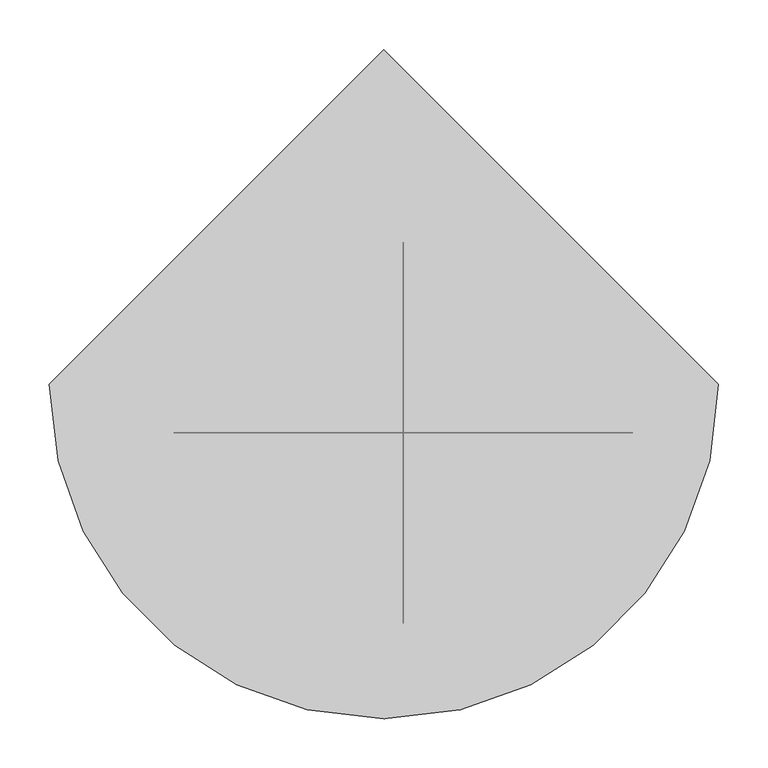
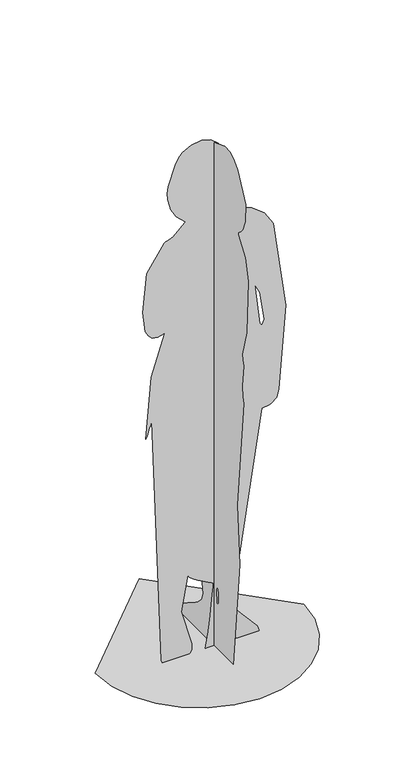
"""IFC4 building model written with IfcOpenShell, lengths in millimetres: proxy geometry."""

from ifc_helpers import new_model, si_unit, origin, place, context, project, spatial, triangles, source, transform, mapped, element, save


def entourage_2a7e0e44(model_context):
    return source(origin(), model_context, "Body", "Tessellation", [
        triangles([(19.5612288, -62.516115, 200.054177), (19.5612288, -65.6147495, 206.6420561), (19.5612288, -67.0928433, 208.6188795), (19.5612265, -68.5512254, 210.1580661), (19.5612265, -69.844524, 211.0626257), (19.5612265, -70.8273447, 211.135768), (19.5612265, -72.3676622, 205.9018034), (19.5612265, -74.2961918, 196.3806185), (19.5612265, -75.9136394, 184.6084991), (19.5612265, -76.5207017, 172.6210404), (19.5612265, -75.4180619, 162.4544372), (19.5612265, -71.9064394, 156.1446297), (19.5612288, -65.2864992, 155.7276494), (19.561222, -157.7734002, 0.0), (19.5612197, -193.0714818, 365.6725562), (19.5612197, -178.8732388, 562.9772644), (19.5612197, -217.6589527, 934.2117268), (19.5612197, -211.3346658, 953.6969473), (19.5612197, -209.2266004, 990.3578636), (19.5612197, -217.6589527, 1061.6503143), (19.5612197, -210.505792, 1080.5146425), (19.5612197, -208.859072, 1098.4551172), (19.5612174, -232.5499224, 1186.4916767), (19.5612174, -242.5926415, 1369.1652649), (19.5612197, -225.9702005, 1441.195752), (19.5612197, -184.4141614, 1493.8335274), (19.5612197, -184.4141614, 1502.144648), (19.5612197, -199.7089946, 1513.6221451), (19.5612197, -211.0344297, 1528.1208241), (19.5612197, -224.1337755, 1563.6801361), (19.5612197, -228.7406891, 1624.0425854), (19.5612197, -183.90509, 1715.3903526), (19.561222, -164.1470301, 1737.5990261), (19.561222, -139.3701631, 1750.94981), (19.5612242, -108.0070247, 1752.6), (19.5612288, -48.1992019, 1729.3935677), (19.5612288, -20.4396227, 1708.5970173), (19.5612288, -13.3298936, 1699.5173389), (19.5612288, -7.8875699, 1689.0607098), (19.5612288, -0.7000028, 1662.8370197), (19.5612288, -20.3543195, 1513.0532845), (19.5612288, -18.6669849, 1499.3218552), (19.5612288, 11.1308794, 1439.5698338), (19.5612311, 14.5355749, 1426.8243908), (19.5612288, 1.7224977, 1354.8805264), (19.5612311, 31.6774996, 1150.3032606), (19.5612333, 48.2999633, 1147.5328629), (19.5612333, 62.8445879, 962.6950172), (19.5612356, 95.3969115, 840.0179123), (19.5612356, 94.2716259, 840.4783493), (19.5612356, 92.0029507, 841.6656315), (19.5612356, 89.0270695, 843.2890789), (19.5612356, 85.780102, 845.057939), (19.5612356, 82.698268, 846.6813864), (19.5612356, 80.2176599, 847.8687412), (19.5612356, 78.7744431, 848.3291056), (19.5612379, 129.4411089, 519.2575856), (19.5612356, 115.741936, 386.017608), (19.5612356, 111.0111655, 373.0374773), (19.5612333, 46.365393, 289.3376807), (19.5612311, 27.5485274, 242.7219941), (19.5612288, 11.1591606, 141.8756606), (19.5612311, 19.6101607, 117.1299145), (19.5612311, 40.4985227, 95.464113), (19.5612333, 68.4630586, 75.9257889), (19.5612356, 98.1425106, 57.5627155), (19.5612379, 124.1758143, 39.4220441), (19.5612379, 141.2016192, 20.5520522), (19.5612379, 143.8588244, 0.0), (183.0152098, -49.3669449, 1064.4207121), (167.6047769, -49.3669449, 1163.5493271), (152.5406528, -49.3669449, 1194.6297701), (168.2882199, -49.3669449, 1056.0085802), (175.1435972, -49.3669449, 1046.9906713), (-8.6639288, -49.3669495, 0.0), (-3.1500451, -49.3669495, 32.2482746), (2.0823084, -49.3669495, 69.3733591), (6.8265455, -49.3669495, 108.190362), (10.8761212, -49.3669495, 145.5140468), (14.0244233, -49.3669495, 178.1596922), (16.064901, -49.3669495, 202.9421185), (16.790965, -49.3669495, 216.6765999), (12.1870877, -49.3669495, 219.1461257), (0.3139176, -49.3669495, 225.0791757), (-15.9208339, -49.3669495, 233.4869473), (-33.6094311, -49.3669495, 243.3801843), (-49.8441732, -49.3669495, 253.770157), (-61.7173402, -49.3669495, 263.6679903), (-66.3212244, -49.3669495, 272.0846822), (-87.4455254, -49.3669495, 152.9572698), (-53.4087358, -49.3669495, 31.0045278), (-52.5813699, -49.3669495, 11.0292914), (-59.149233, -49.3669495, 0.0), (-149.3170486, -49.3669495, 0.0), (-152.8115664, -49.3669495, 10.4443548), (-182.6783299, -49.3669495, 842.7883101), (-184.325068, -49.3669495, 839.6736019), (-187.3181266, -49.3669495, 831.6521439), (-191.0743654, -49.3669495, 820.7077538), (-195.0109165, -49.3669495, 808.8246128), (-198.5445671, -49.3669495, 797.9861755), (-201.0923222, -49.3669495, 790.1768412), (-202.0711687, -49.3669495, 787.3802095), (-185.4487277, -49.3669495, 995.1605501), (-141.1222818, -49.3669495, 1130.9104036), (-164.3032524, -49.3669495, 1124.3246864), (-182.0564565, -49.3669495, 1128.1551939), (-195.0603866, -49.3669495, 1140.1605658), (-203.9935441, -49.3669495, 1158.0995871), (-213.1528324, -49.3669495, 1225.1042908), (-199.3008073, -49.3669495, 1355.3133488), (-142.1370091, -49.3669495, 1439.8141502), (-138.3519385, -49.3669495, 1443.9662224), (-126.4535278, -49.3669495, 1446.4888882), (-114.043257, -49.3669495, 1453.0155247), (-76.6084144, -49.3669495, 1487.9363583), (-74.632563, -49.3669495, 1491.0630569), (-103.0904008, -49.3669495, 1516.7510239), (-122.0980524, -49.3669495, 1548.9569069), (-131.6192644, -49.3669495, 1586.7359962), (-132.8111248, -49.3669495, 1607.4201988), (-130.0407362, -49.3669495, 1629.5832355), (-105.4423103, -49.3669495, 1701.5050083), (-96.1691935, -49.3669495, 1717.9445572), (-84.0080717, -49.3669495, 1731.1446236), (-55.2397923, -49.3669495, 1745.9405228), (-21.1277098, -49.3669495, 1752.5937504), (8.678871, -49.3669495, 1743.6800503), (33.6907601, -49.3669495, 1722.8627163), (53.4188279, -49.3669495, 1693.8054783), (75.0667116, -49.3669495, 1625.6246109), (76.0082012, -49.3669495, 1593.8278599), (45.7087471, -49.3669495, 1512.9888988), (45.9664484, -49.3669495, 1502.7510063), (52.5419328, -49.3669495, 1494.1808899), (141.4590436, -49.3669449, 1463.3590794), (183.2079669, -49.3669449, 1431.0789276), (212.1099455, -49.3669449, 1385.7065517), (252.2752991, -49.3669449, 1089.3543646), (230.371894, -49.3669449, 807.1516771), (222.5798733, -49.3669449, 783.138172), (217.6563003, -49.3669449, 776.9216183), (211.9300146, -49.3669449, 771.9938667), (205.4994478, -49.3669449, 768.2337765), (198.4631949, -49.3669449, 765.520134), (174.7039802, -49.3669449, 762.4466297), (101.5479077, -49.3669495, 280.655816), (74.363298, -49.3669495, 138.9321538), (78.7407061, -49.3669495, 117.6130336), (91.1993842, -49.3669495, 97.162465), (159.9730479, -49.3669449, 19.5097603), (166.4327009, -49.3669449, 0.0), (-339.0976521, 0.0001336, 0.0), (-330.1329741, -77.6986367, 0.0), (-304.601829, -149.0525117, 0.0), (-264.5484235, -212.0171641, 0.0), (-212.0172913, -264.548369, 0.0), (-149.0525935, -304.6016654, 0.0), (-77.6987276, -330.1329014, 0.0), (1.42e-05, -339.0975431, 0.000112), (77.6987639, -330.1329014, 0.000112), (149.052648, -304.6016654, 0.000112), (212.0172913, -264.5483145, 0.000112), (264.5485143, -212.0171641, 0.0), (304.6018108, -149.0524572, 0.0), (330.1329741, -77.6985731, 0.0), (339.0976521, 0.000162, 0.0), (-4.4e-05, 339.0977975, 0.0)], [[14, 6, 7], [14, 7, 8], [14, 8, 9], [14, 9, 10], [14, 10, 11], [48, 49, 50], [48, 50, 51], [48, 51, 52], [48, 52, 53], [48, 53, 54], [48, 54, 55], [14, 11, 12], [69, 14, 12], [69, 12, 13], [68, 69, 13], [67, 68, 13], [66, 67, 13], [65, 66, 13], [64, 65, 13], [63, 64, 13], [62, 63, 13], [48, 55, 56], [62, 13, 1], [61, 62, 1], [46, 47, 48], [61, 1, 2], [61, 2, 3], [61, 3, 4], [61, 4, 5], [6, 14, 15], [5, 6, 15], [61, 5, 15], [60, 61, 15], [60, 15, 16], [59, 60, 16], [58, 59, 16], [57, 58, 16], [56, 57, 16], [48, 56, 16], [48, 16, 17], [48, 17, 18], [46, 48, 18], [46, 18, 19], [46, 19, 20], [46, 20, 21], [46, 21, 22], [46, 22, 23], [46, 23, 24], [45, 46, 24], [45, 24, 25], [45, 25, 26], [44, 45, 26], [43, 44, 26], [42, 43, 26], [41, 42, 26], [41, 26, 27], [41, 27, 28], [41, 28, 29], [41, 29, 30], [41, 30, 31], [40, 41, 31], [40, 31, 32], [39, 40, 32], [38, 39, 32], [37, 38, 32], [36, 37, 32], [35, 36, 32], [35, 32, 33], [34, 35, 33], [70, 75, 76], [70, 76, 77], [70, 77, 78], [70, 78, 79], [70, 79, 80], [70, 80, 81], [70, 81, 82], [74, 70, 82], [102, 103, 104], [101, 102, 104], [100, 101, 104], [99, 100, 104], [98, 99, 104], [97, 98, 104], [96, 97, 104], [151, 152, 75], [74, 82, 83], [74, 83, 84], [74, 84, 85], [74, 85, 86], [74, 86, 87], [74, 87, 88], [74, 88, 89], [150, 151, 75], [149, 150, 75], [93, 94, 95], [92, 93, 95], [91, 92, 95], [90, 91, 95], [90, 95, 96], [89, 90, 96], [74, 89, 96], [74, 96, 104], [73, 74, 104], [73, 104, 105], [72, 73, 105], [148, 149, 75], [148, 75, 70], [147, 148, 70], [146, 147, 70], [145, 146, 70], [144, 145, 70], [143, 144, 70], [142, 143, 70], [141, 142, 70], [140, 141, 70], [139, 140, 70], [139, 70, 71], [139, 71, 72], [138, 139, 72], [138, 72, 105], [137, 138, 105], [136, 137, 105], [135, 136, 105], [134, 135, 105], [134, 105, 106], [134, 106, 107], [134, 107, 108], [134, 108, 109], [134, 109, 110], [134, 110, 111], [134, 111, 112], [133, 134, 112], [112, 113, 114], [133, 112, 114], [133, 114, 115], [133, 115, 116], [133, 116, 117], [133, 117, 118], [133, 118, 119], [133, 119, 120], [133, 120, 121], [133, 121, 122], [132, 133, 122], [131, 132, 122], [130, 131, 122], [129, 130, 122], [129, 122, 123], [128, 129, 123], [127, 128, 123], [126, 127, 123], [126, 123, 124], [125, 126, 124], [167, 168, 153], [166, 167, 153], [166, 153, 154], [165, 166, 154], [165, 154, 155], [165, 155, 156], [164, 165, 156], [163, 164, 156], [163, 156, 157], [163, 157, 158], [163, 158, 159], [163, 159, 160], [163, 160, 161], [163, 161, 162]], closed=False),
    ])


if __name__ == "__main__":
    model = new_model("IFC4")
    model_context = context("Model", 3, world=origin())
    ifc_project = project(units=[si_unit("LENGTHUNIT", "METRE", prefix="MILLI")], contexts=[model_context])
    site = spatial("IfcSite", under=ifc_project)
    building = spatial("IfcBuilding", under=site)
    placement = place(None, origin())
    entourage_shape = entourage_2a7e0e44(model_context)
    element("IfcBuildingElementProxy", 1, Name="Entourage", at=placement, inside=building, context=model_context, shape_type="MappedRepresentation", body=[
        mapped(entourage_shape, transform((0.0, 0.0, 0.0), x_axis=(1.0, 0.0, 0.0), y_axis=(0.0, 1.0, 0.0), z_axis=(0.0, 0.0, 1.0))),
    ])
    save(model, "model.ifc")
